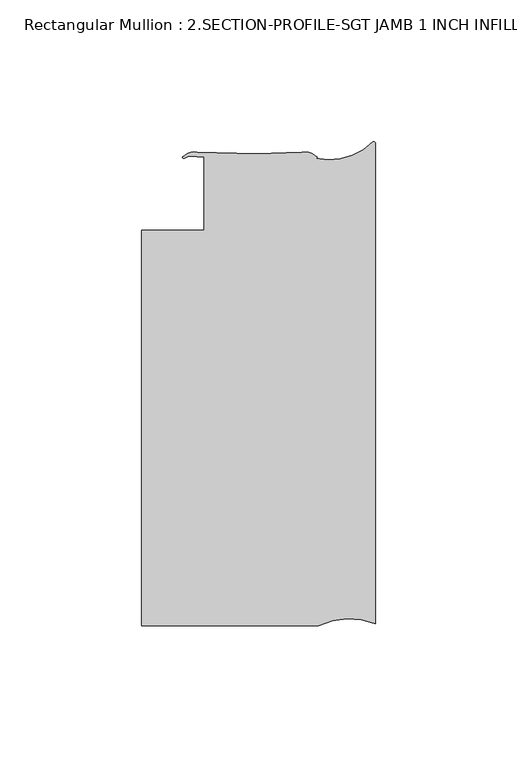
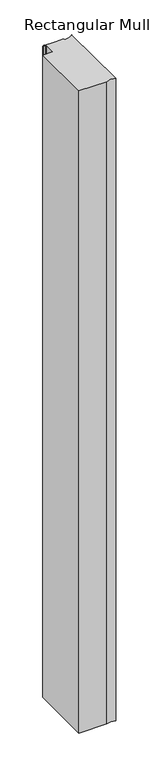
"""IFC4 building model written with IfcOpenShell, lengths in millimetres: member geometry, Rectangular Mullion : 2.SECTION-PROFILE-SGT JAMB 1 INCH INFILL DETAIL 7."""

from ifc_helpers import new_model, si_unit, point, frame, frame_2d, origin, place, context, project, spatial, polyline, circle_curve, trimmed, segment, composite_curve, outline, extrude, source, transform, mapped, element, save


def rectangular_mullion_2_section_profile_sgt_jamb_1_inch_infill_30e76a76(model_context):
    return source(origin(), model_context, "Body", "SweptSolid", [
        extrude(outline(composite_curve([segment(polyline([(-20.0963261, -85.5936319), (-82.7624924, -85.5936319), (-82.7624924, 54.1063631), (-60.5419882, 54.1063631), (-60.5419882, 80.1402767), (-63.0963214, 80.2129558)]), True, "CONTINUOUS"), segment(trimmed(circle_curve(frame_2d((-64.5495981, 74.4786008)), 5.9156437), [point((-63.0963214, 80.2129558))], [point((-67.5034782, 79.6039722))], True, "CARTESIAN"), True, "CONTINUOUS"), segment(trimmed(circle_curve(frame_2d((-67.7627315, 79.9288435)), 0.4156364), [point((-67.5034782, 79.6039722))], [point((-68.0818732, 80.1951181))], False, "CARTESIAN"), True, "CONTINUOUS"), segment(trimmed(circle_curve(frame_2d((-64.0102162, 75.9136887)), 5.9083862), [point((-68.0818732, 80.1951181))], [point((-62.9891992, 81.7331863))], False, "CARTESIAN"), True, "CONTINUOUS"), segment(polyline([(-62.9891992, 81.7331863), (-42.2708685, 81.1666852), (-25.9390512, 81.6543094)]), True, "CONTINUOUS"), segment(trimmed(circle_curve(frame_2d((-24.8202291, 75.8271687)), 5.9335766), [point((-25.9390512, 81.6543094))], [point((-20.8094174, 80.1998934))], False, "CARTESIAN"), True, "CONTINUOUS"), segment(trimmed(circle_curve(frame_2d((-21.1241586, 79.9284315)), 0.4156364), [point((-20.8094174, 80.1998934))], [point((-21.1155372, 79.5128845))], False, "CARTESIAN"), True, "CONTINUOUS"), segment(trimmed(circle_curve(frame_2d((-16.3790646, 100.7452821)), 21.7542841), [point((-21.1155372, 79.5128845))], [point((-0.9068806, 85.4527872))], True, "CARTESIAN"), True, "CONTINUOUS"), segment(trimmed(circle_curve(frame_2d((-0.635, 84.8789353)), 0.635), [point((-0.9068806, 85.4527872))], [point((0.0, 84.8789353))], False, "CARTESIAN"), True, "CONTINUOUS"), segment(polyline([(0.0, 84.8789353), (0.0, -84.8789353)]), True, "CONTINUOUS"), segment(trimmed(circle_curve(frame_2d((-9.2332881, -108.1494966)), 25.0354275), [point((0.0, -84.8789353))], [point((-20.0963261, -85.5936319))], True, "CARTESIAN"), True, "CONTINUOUS")], self_intersect=False)), frame((0.0, 0.0, -1524.0), z_axis=(0.0, 0.0, 1.0), x_axis=(1.0, 0.0, 0.0)), (0.0, 0.0, 1.0), 1524.0),
    ])


if __name__ == "__main__":
    model = new_model("IFC4")
    model_context = context("Model", 3, world=origin())
    ifc_project = project(units=[si_unit("LENGTHUNIT", "METRE", prefix="MILLI")], contexts=[model_context])
    site = spatial("IfcSite", under=ifc_project)
    building = spatial("IfcBuilding", under=site)
    placement = place(None, origin())
    rectangular_mullion_2_section_profile_sgt_jamb_1_inch_infill_shape = rectangular_mullion_2_section_profile_sgt_jamb_1_inch_infill_30e76a76(model_context)
    element("IfcMember", 1, ObjectType="Rectangular Mullion : 2.SECTION-PROFILE-SGT JAMB 1 INCH INFILL DETAIL 7", at=placement, inside=building, context=model_context, shape_type="MappedRepresentation", body=[
        mapped(rectangular_mullion_2_section_profile_sgt_jamb_1_inch_infill_shape, transform((0.0, 0.0, 0.0), x_axis=(1.0, 0.0, 0.0), y_axis=(0.0, 1.0, 0.0), z_axis=(0.0, 0.0, 1.0))),
    ])
    save(model, "model.ifc")
